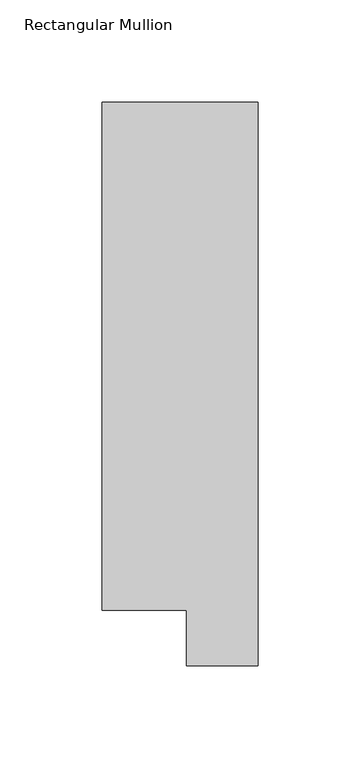
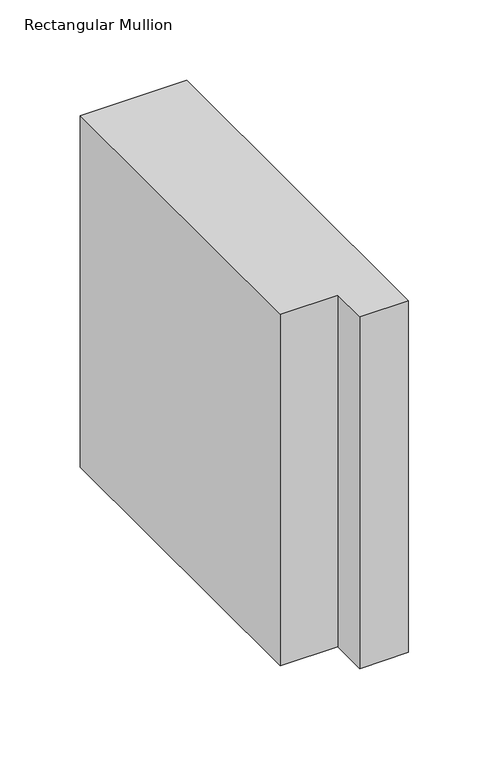
"""IFC4 building model written with IfcOpenShell, lengths in millimetres: member geometry, Rectangular Mullion."""

from ifc_helpers import new_model, si_unit, frame, origin, place, context, project, spatial, polyline, outline, extrude, source, transform, mapped, element, save


def rectangular_mullion_eb341131(model_context):
    return source(origin(), model_context, "Body", "SweptSolid", [
        extrude(outline(polyline([(0.0, 295.1821312), (0.0, 19.5667313), (-34.9123, 19.5667313), (-34.9123, 46.7447302), (-76.2, 46.7447302), (-76.2, 295.1821312), (0.0, 295.1821312)])), frame((0.0, 0.0, -267.0194233), z_axis=(0.0, 0.0, 1.0), x_axis=(1.0, 0.0, 0.0)), (0.0, 0.0, 1.0), 267.0194233),
    ])


if __name__ == "__main__":
    model = new_model("IFC4")
    model_context = context("Model", 3, world=origin())
    ifc_project = project(units=[si_unit("LENGTHUNIT", "METRE", prefix="MILLI")], contexts=[model_context])
    site = spatial("IfcSite", under=ifc_project)
    building = spatial("IfcBuilding", under=site)
    placement = place(None, origin())
    rectangular_mullion_shape = rectangular_mullion_eb341131(model_context)
    element("IfcMember", 1, ObjectType="Rectangular Mullion", at=placement, inside=building, context=model_context, shape_type="MappedRepresentation", body=[
        mapped(rectangular_mullion_shape, transform((0.0, 0.0, 0.0), x_axis=(1.0, 0.0, 0.0), y_axis=(0.0, 1.0, 0.0), z_axis=(0.0, 0.0, 1.0))),
    ])
    save(model, "model.ifc")
